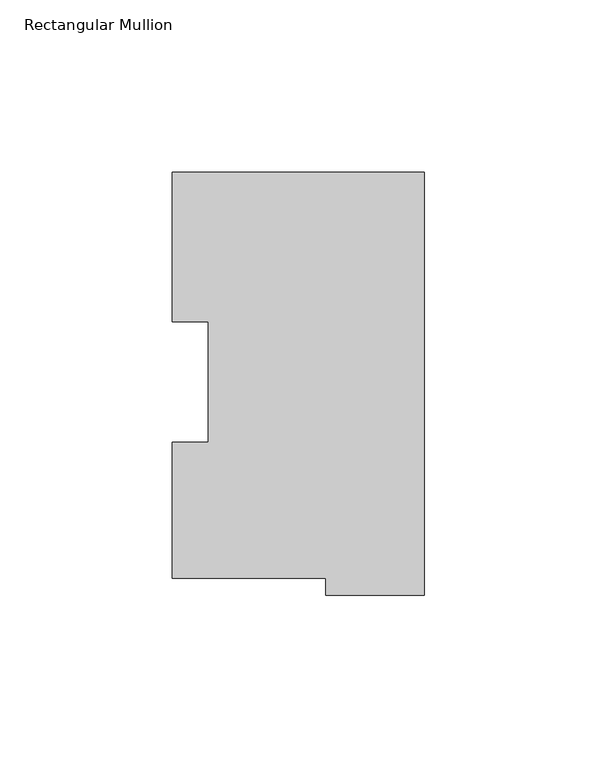
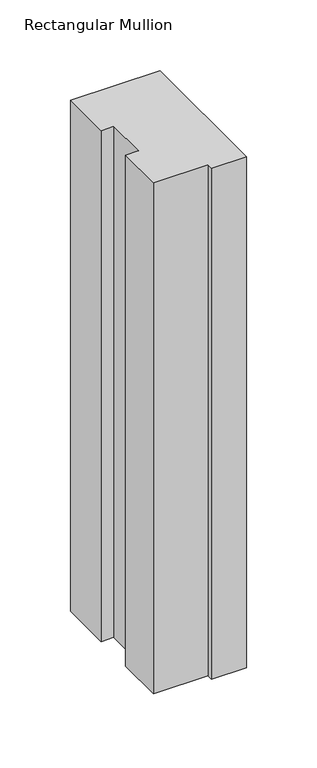
"""IFC4 building model written with IfcOpenShell, lengths in millimetres: member geometry, Rectangular Mullion."""

from ifc_helpers import new_model, si_unit, frame, origin, place, context, project, spatial, polyline, outline, extrude, source, transform, mapped, element, save


def rectangular_mullion_cc8c3b5f(model_context):
    return source(origin(), model_context, "Body", "SweptSolid", [
        extrude(outline(polyline([(-73.025, 117.827425), (0.0, 117.827425), (0.0, -4.778375), (-28.575, -4.778375), (-28.575, 0.225425), (-73.025, 0.225425), (-73.025, 39.646225), (-62.7126, 39.646225), (-62.7126, 74.596625), (-73.025, 74.596625), (-73.025, 117.827425)])), frame((0.0, 0.0, -441.325), z_axis=(0.0, 0.0, 1.0), x_axis=(1.0, 0.0, 0.0)), (0.0, 0.0, 1.0), 441.325),
    ])


if __name__ == "__main__":
    model = new_model("IFC4")
    model_context = context("Model", 3, world=origin())
    ifc_project = project(units=[si_unit("LENGTHUNIT", "METRE", prefix="MILLI")], contexts=[model_context])
    site = spatial("IfcSite", under=ifc_project)
    building = spatial("IfcBuilding", under=site)
    placement = place(None, origin())
    rectangular_mullion_shape = rectangular_mullion_cc8c3b5f(model_context)
    element("IfcMember", 1, ObjectType="Rectangular Mullion", at=placement, inside=building, context=model_context, shape_type="MappedRepresentation", body=[
        mapped(rectangular_mullion_shape, transform((0.0, 0.0, 0.0), x_axis=(1.0, 0.0, 0.0), y_axis=(0.0, 1.0, 0.0), z_axis=(0.0, 0.0, 1.0))),
    ])
    save(model, "model.ifc")
